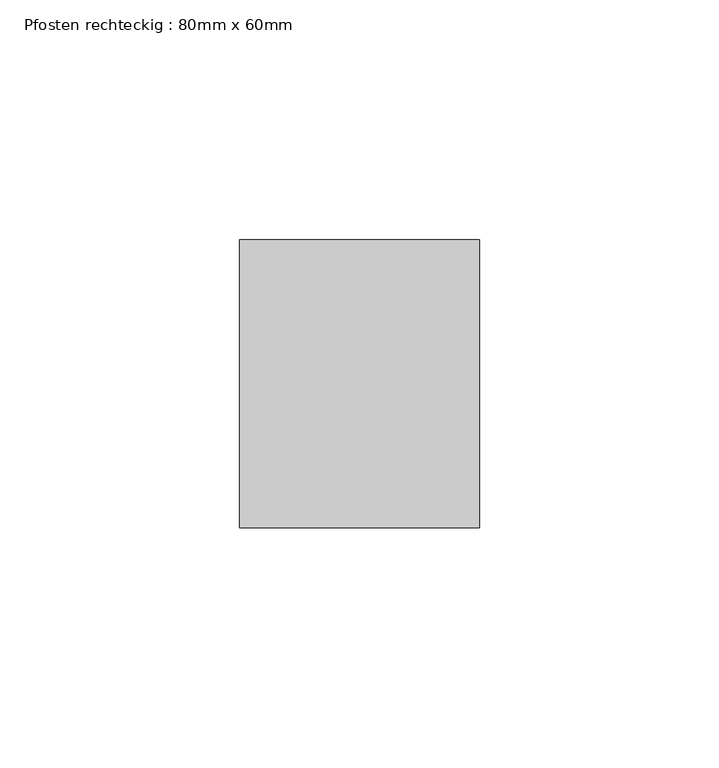
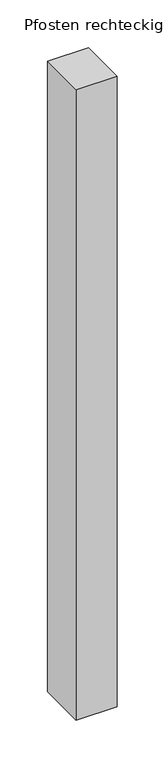
"""IFC4 building model written with IfcOpenShell, lengths in millimetres: member geometry, Pfosten rechteckig : 80mm x 60mm."""

import ifcopenshell
import ifcopenshell.guid

model = None  # the IFC model being written
_history = None  # IfcOwnerHistory: only IFC2X3 demands one
_inside = {}  # id of a spatial element -> (the spatial element, [elements in it])
_under = {}  # id of a project, library or spatial element -> (it, [spatial elements below it])
_declared = {}  # id of a project -> (the project, [libraries it declares])
_typed = {}  # id of a type object -> (the type object, [elements of that type])
_made_of = {}  # id of a material, layer set ... -> (it, [elements and type objects made of it])


def new_model(schema):
    """Start an empty IFC model of exactly this schema.

    Asked for "IFC4X3", IfcOpenShell would pick the latest addendum, in which some entities
    have other attributes; the version numbers below select the first issue.
    IFC2X3 requires an IfcOwnerHistory on every rooted entity: one is made here for all.
    """
    global model, _history
    if schema == "IFC4X3":
        model = ifcopenshell.file(schema_version=(4, 3, 0, 0))
    else:
        model = ifcopenshell.file(schema=schema)
    _inside.clear()
    _under.clear()
    _declared.clear()
    _typed.clear()
    _made_of.clear()
    _history = None
    if model.schema == "IFC2X3":
        org = make("IfcOrganization", Name="unknown")
        user = make(
            "IfcPersonAndOrganization",
            ThePerson=make("IfcPerson", FamilyName="unknown"),
            TheOrganization=org,
        )
        app = make(
            "IfcApplication",
            ApplicationDeveloper=org,
            Version="unknown",
            ApplicationFullName="unknown",
            ApplicationIdentifier="unknown",
        )
        _history = make(
            "IfcOwnerHistory",
            OwningUser=user,
            OwningApplication=app,
            ChangeAction="ADDED",
            CreationDate=0,
        )
    return model


def make(cls, **values):
    """One entity of the class cls with the attributes given. An attribute that is None is left unset."""
    return model.create_entity(
        cls, **{name: value for name, value in values.items() if value is not None}
    )


def rooted(cls, **values):
    """An entity with a GlobalId (a new one), such as an element, a storey or a relation."""
    return make(cls, GlobalId=ifcopenshell.guid.new(), OwnerHistory=_history, **values)


def si_unit(unit_type, name, prefix=None):
    """IfcSIUnit, for example si_unit("LENGTHUNIT", "METRE", prefix="MILLI")."""
    return make("IfcSIUnit", UnitType=unit_type, Prefix=prefix, Name=name)


def assignment(units):
    """IfcUnitAssignment: the units of a project."""
    return None if units is None else make("IfcUnitAssignment", Units=units)


def point(xyz):
    """IfcCartesianPoint."""
    return None if xyz is None else make("IfcCartesianPoint", Coordinates=xyz)


def direction(xyz):
    """IfcDirection."""
    return None if xyz is None else make("IfcDirection", DirectionRatios=xyz)


def frame(location, z_axis=None, x_axis=None):
    """IfcAxis2Placement3D, a coordinate frame: its origin and axes. An axis left out is left unset."""
    return make(
        "IfcAxis2Placement3D",
        Location=point(location),
        Axis=direction(z_axis),
        RefDirection=direction(x_axis),
    )


def origin():
    """The frame at (0, 0, 0) with its axes left unset."""
    return frame((0.0, 0.0, 0.0))


def place(relative_to, where):
    """IfcLocalPlacement: puts the frame where relative to a parent placement (None: the world)."""
    return make(
        "IfcLocalPlacement", PlacementRelTo=relative_to, RelativePlacement=where
    )


def context(
    kind, dimensions, precision=None, world=None, true_north=None, identifier=None
):
    """IfcGeometricRepresentationContext, for example the 3D "Model" context."""
    return make(
        "IfcGeometricRepresentationContext",
        ContextIdentifier=identifier,
        ContextType=kind,
        CoordinateSpaceDimension=dimensions,
        Precision=precision,
        WorldCoordinateSystem=world,
        TrueNorth=true_north,
    )


def project(units=None, contexts=None):
    """IfcProject with its units and contexts."""
    return rooted(
        "IfcProject",
        Name="project",
        RepresentationContexts=contexts,
        UnitsInContext=assignment(units),
    )


def spatial(cls, under=None, at=None, **own):
    """A site, building, storey or space (cls), placed at a placement, below another one or the project."""
    s = rooted(cls, ObjectPlacement=at, **own)
    if under is not None:
        _under.setdefault(under.id(), (under, []))[1].append(s)
    return s


def polyline(points):
    """IfcPolyline through the points."""
    return make("IfcPolyline", Points=[point(p) for p in points])


def outline(outer, holes=None, kind="AREA"):
    """IfcArbitraryClosedProfileDef: a profile drawn as a closed curve; with holes, ...WithVoids."""
    if holes is None:
        return make("IfcArbitraryClosedProfileDef", ProfileType=kind, OuterCurve=outer)
    return make(
        "IfcArbitraryProfileDefWithVoids",
        ProfileType=kind,
        OuterCurve=outer,
        InnerCurves=holes,
    )


def extrude(swept, where, along, depth):
    """IfcExtrudedAreaSolid: the profile swept, set in the frame where, extruded along a direction by depth."""
    return make(
        "IfcExtrudedAreaSolid",
        SweptArea=swept,
        Position=where,
        ExtrudedDirection=direction(along),
        Depth=depth,
    )


def shape(context_of_items, identifier, shape_type, items):
    """IfcShapeRepresentation: the items that make up one representation, for example the "Body"."""
    return make(
        "IfcShapeRepresentation",
        ContextOfItems=context_of_items,
        RepresentationIdentifier=identifier,
        RepresentationType=shape_type,
        Items=items,
    )


def source(mapping_origin, context_of_items, identifier, shape_type, items):
    """IfcRepresentationMap: a shape defined once, which mapped items show again and again."""
    return make(
        "IfcRepresentationMap",
        MappingOrigin=mapping_origin,
        MappedRepresentation=shape(context_of_items, identifier, shape_type, items),
    )


def transform(
    local_origin,
    x_axis=None,
    y_axis=None,
    z_axis=None,
    scale=None,
    scale2=None,
    scale3=None,
    uniform=True,
):
    """IfcCartesianTransformationOperator3D, or its non-uniform kind. x_axis, y_axis, z_axis: its Axis1, 2, 3."""
    if uniform:
        return make(
            "IfcCartesianTransformationOperator3D",
            Axis1=direction(x_axis),
            Axis2=direction(y_axis),
            LocalOrigin=point(local_origin),
            Scale=scale,
            Axis3=direction(z_axis),
        )
    return make(
        "IfcCartesianTransformationOperator3DnonUniform",
        Axis1=direction(x_axis),
        Axis2=direction(y_axis),
        LocalOrigin=point(local_origin),
        Scale=scale,
        Axis3=direction(z_axis),
        Scale2=scale2,
        Scale3=scale3,
    )


def mapped(mapping_source, mapping_target):
    """IfcMappedItem: shows the shape of a source again, moved by a transform."""
    return make(
        "IfcMappedItem", MappingSource=mapping_source, MappingTarget=mapping_target
    )


def made_of(thing, what):
    """Note that an element or type object is made of a material, layer set ...; save() writes the relation."""
    if what is not None:
        _made_of.setdefault(what.id(), (what, []))[1].append(thing)
    return thing


def element(
    cls,
    number,
    at=None,
    inside=None,
    cuts=None,
    type_object=None,
    material=None,
    context=None,
    identifier="Body",
    shape_type=None,
    held_by="IfcProductDefinitionShape",
    body=None,
    shapes=None,
    **own,
):
    """One element of the class cls, such as IfcWall. Its Tag is "e" and its number.

    at: its placement. inside: the storey or other place that contains it. cuts: it is an
    opening in that element (IfcRelVoidsElement). A single representation is given by context,
    identifier, shape_type and body (its items); several are given by shapes. held_by: the class
    of the entity that holds the representations. save() writes the other relations.
    """
    e = rooted(cls, Tag="e%d" % number, ObjectPlacement=at, **own)
    if body is not None:
        shapes = [shape(context, identifier, shape_type, body)]
    if shapes is not None:
        e.Representation = make(held_by, Representations=shapes)
    if inside is not None:
        _inside.setdefault(inside.id(), (inside, []))[1].append(e)
    if cuts is not None:
        rooted(
            "IfcRelVoidsElement", RelatingBuildingElement=cuts, RelatedOpeningElement=e
        )
    if type_object is not None:
        _typed.setdefault(type_object.id(), (type_object, []))[1].append(e)
    return made_of(e, material)


def aggregate(whole, parts):
    """IfcRelAggregates: a whole, such as a stair, and the parts it consists of."""
    return rooted("IfcRelAggregates", RelatingObject=whole, RelatedObjects=parts)


def save(model, path):
    """Write the relations noted so far, then the file.

    IfcRelAggregates (storeys below a building ...), IfcRelContainedInSpatialStructure (elements
    in a storey), IfcRelDefinesByType, IfcRelAssociatesMaterial and IfcRelDeclares: one each for
    every whole, place, type object, material and project.
    """
    for whole, parts in _under.values():
        aggregate(whole, parts)
    for where, things in _inside.values():
        rooted(
            "IfcRelContainedInSpatialStructure",
            RelatedElements=things,
            RelatingStructure=where,
        )
    for kind, things in _typed.values():
        rooted("IfcRelDefinesByType", RelatedObjects=things, RelatingType=kind)
    for what, things in _made_of.values():
        rooted("IfcRelAssociatesMaterial", RelatedObjects=things, RelatingMaterial=what)
    for by, libraries in _declared.values():
        rooted("IfcRelDeclares", RelatingContext=by, RelatedDefinitions=libraries)
    model.write(path)


def pfosten_rechteckig_80mm_x_60mm_01a24657(model_context):
    return source(origin(), model_context, "Body", "SweptSolid", [
        extrude(outline(polyline([(0.0, 30.0), (0.0, -30.0), (-50.0, -30.0), (-50.0, 30.0), (0.0, 30.0)])), frame((0.0, 0.0, -808.3333333), z_axis=(0.0, 0.0, 1.0), x_axis=(1.0, 0.0, 0.0)), (0.0, 0.0, 1.0), 808.3333333),
    ])


if __name__ == "__main__":
    model = new_model("IFC4")
    model_context = context("Model", 3, world=origin())
    ifc_project = project(units=[si_unit("LENGTHUNIT", "METRE", prefix="MILLI")], contexts=[model_context])
    site = spatial("IfcSite", under=ifc_project)
    building = spatial("IfcBuilding", under=site)
    placement = place(None, origin())
    pfosten_rechteckig_80mm_x_60mm_shape = pfosten_rechteckig_80mm_x_60mm_01a24657(model_context)
    element("IfcMember", 1, ObjectType="Pfosten rechteckig : 80mm x 60mm", at=placement, inside=building, context=model_context, shape_type="MappedRepresentation", body=[
        mapped(pfosten_rechteckig_80mm_x_60mm_shape, transform((0.0, 0.0, 0.0), x_axis=(1.0, 0.0, 0.0), y_axis=(0.0, 1.0, 0.0), z_axis=(0.0, 0.0, 1.0))),
    ])
    save(model, "model.ifc")
